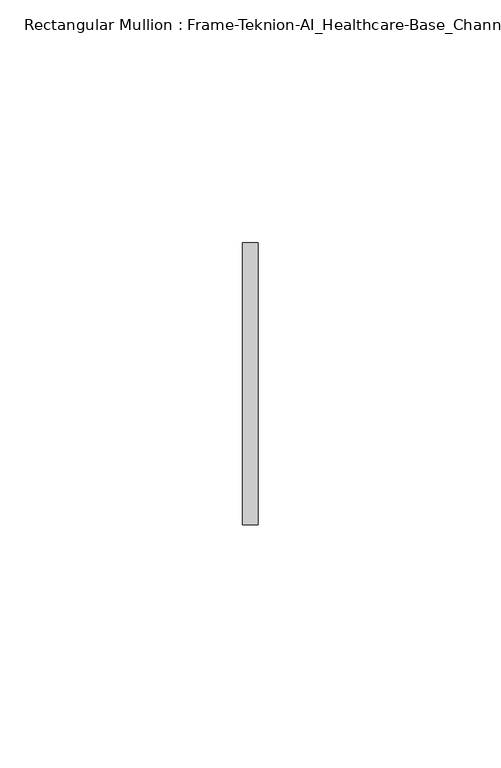
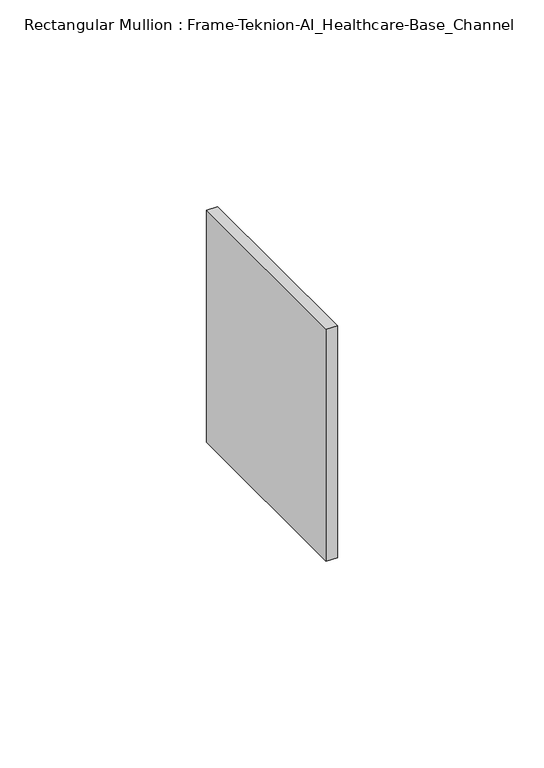
"""IFC4 building model written with IfcOpenShell, lengths in millimetres: member geometry, Rectangular Mullion : Frame-Teknion-AI_Healthcare-Base_Channel."""

from ifc_helpers import new_model, si_unit, frame, origin, place, context, project, spatial, polyline, outline, extrude, source, transform, mapped, element, save


def rectangular_mullion_frame_teknion_ai_healthcare_base_channel_59d250cd(model_context):
    return source(origin(), model_context, "Body", "SweptSolid", [
        extrude(outline(polyline([(0.0, 29.0214844), (0.0, -29.0214844), (-3.175, -29.0214844), (-3.175, 29.0214844), (0.0, 29.0214844)])), frame((0.0, 0.0, -68.5686181), z_axis=(0.0, 0.0, 1.0), x_axis=(1.0, 0.0, 0.0)), (0.0, 0.0, 1.0), 68.5686181),
    ])


if __name__ == "__main__":
    model = new_model("IFC4")
    model_context = context("Model", 3, world=origin())
    ifc_project = project(units=[si_unit("LENGTHUNIT", "METRE", prefix="MILLI")], contexts=[model_context])
    site = spatial("IfcSite", under=ifc_project)
    building = spatial("IfcBuilding", under=site)
    placement = place(None, origin())
    rectangular_mullion_frame_teknion_ai_healthcare_base_channel_shape = rectangular_mullion_frame_teknion_ai_healthcare_base_channel_59d250cd(model_context)
    element("IfcMember", 1, ObjectType="Rectangular Mullion : Frame-Teknion-AI_Healthcare-Base_Channel", at=placement, inside=building, context=model_context, shape_type="MappedRepresentation", body=[
        mapped(rectangular_mullion_frame_teknion_ai_healthcare_base_channel_shape, transform((0.0, 0.0, 0.0), x_axis=(1.0, 0.0, 0.0), y_axis=(0.0, 1.0, 0.0), z_axis=(0.0, 0.0, 1.0))),
    ])
    save(model, "model.ifc")
